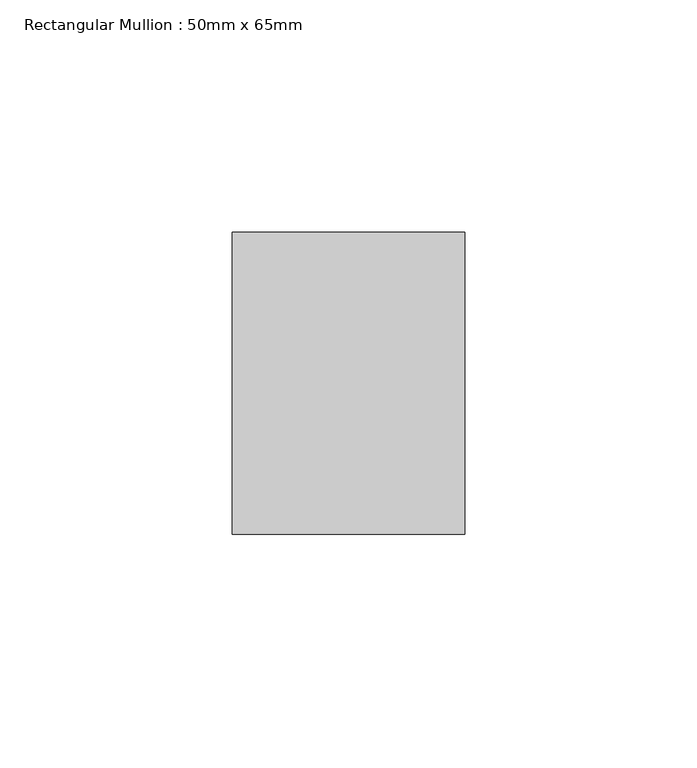
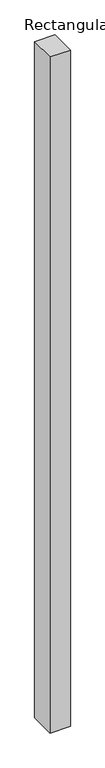
"""IFC4 building model written with IfcOpenShell, lengths in millimetres: member geometry, Rectangular Mullion : 50mm x 65mm."""

from ifc_helpers import new_model, si_unit, frame, origin, place, context, project, spatial, polyline, outline, extrude, source, transform, mapped, element, save


def rectangular_mullion_50mm_x_65mm_c99d543a(model_context):
    return source(origin(), model_context, "Body", "SweptSolid", [
        extrude(outline(polyline([(25.0, 32.5), (25.0, -32.5), (-25.0, -32.5), (-25.0, 32.5), (25.0, 32.5)])), frame((0.0, 0.0, -1754.4956838), z_axis=(0.0, 0.0, 1.0), x_axis=(1.0, 0.0, 0.0)), (0.0, 0.0, 1.0), 1754.4956838),
    ])


if __name__ == "__main__":
    model = new_model("IFC4")
    model_context = context("Model", 3, world=origin())
    ifc_project = project(units=[si_unit("LENGTHUNIT", "METRE", prefix="MILLI")], contexts=[model_context])
    site = spatial("IfcSite", under=ifc_project)
    building = spatial("IfcBuilding", under=site)
    placement = place(None, origin())
    rectangular_mullion_50mm_x_65mm_shape = rectangular_mullion_50mm_x_65mm_c99d543a(model_context)
    element("IfcMember", 1, ObjectType="Rectangular Mullion : 50mm x 65mm", at=placement, inside=building, context=model_context, shape_type="MappedRepresentation", body=[
        mapped(rectangular_mullion_50mm_x_65mm_shape, transform((0.0, 0.0, 0.0), x_axis=(1.0, 0.0, 0.0), y_axis=(0.0, 1.0, 0.0), z_axis=(0.0, 0.0, 1.0))),
    ])
    save(model, "model.ifc")
